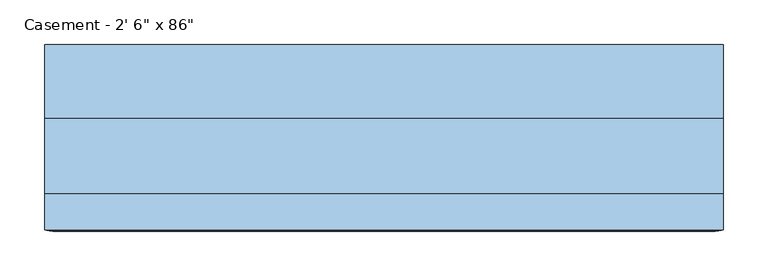
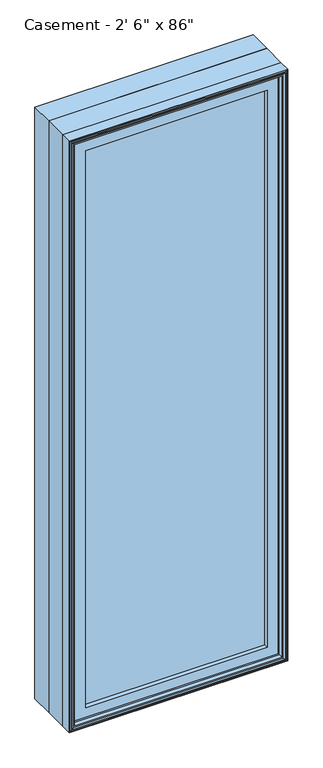
"""IFC4 building model written with IfcOpenShell, lengths in millimetres: window geometry."""

from ifc_helpers import new_model, si_unit, frame, origin, place, context, project, spatial, polyline, outline, extrude, faceted_brep, source, transform, mapped, element, save


def window_7c133da0(model_context):
    return source(origin(), model_context, "Body", "SolidModel", [
        extrude(outline(polyline([(329.009375, -74.0770729), (329.009375, -91.5395729), (-328.9849783, -91.5395729), (-328.9849783, -74.0770729), (329.009375, -74.0770729)])), frame((0.0, 0.0, 971.5119), z_axis=(0.0, 0.0, 1.0), x_axis=(1.0, 0.0, 0.0)), (0.0, 0.0, 1.0), 2070.1762),
        extrude(outline(polyline([(3098.8, -381.0), (914.4, -381.0), (914.4, 381.0), (3098.8, 381.0), (3098.8, -381.0)]), holes=[polyline([(930.275, -365.125), (3082.925, -365.125), (3082.925, 365.125), (930.275, 365.125), (930.275, -365.125)])]), frame((0.0, 6.1515625, 0.0), z_axis=(0.0, 1.0, 0.0), x_axis=(0.0, 0.0, 1.0)), (0.0, 0.0, 1.0), 82.7484375),
        faceted_brep([(-328.9849783, -74.0770729, 966.4150217), (-328.9849783, -74.0770729, 3046.7849783), (-328.9849783, -91.5395729, 3046.7849783), (-328.9849783, -91.5395729, 966.4150217), (-317.3015625, -72.8793953, 978.0984375), (-317.3015625, -72.8793953, 3035.1015625), (-317.3015625, -74.0770729, 3035.1015625), (-317.3015625, -74.0770729, 978.0984375), (-320.0498111, -59.9499024, 975.3501889), (-320.0498111, -59.9499024, 3037.8498111), (-348.0341084, -91.5395729, 947.3658916), (-348.0341084, -91.5395729, 3065.8341084), (-348.0341084, -59.9499024, 3065.8341084), (-348.0341084, -59.9499024, 947.3658916), (328.9849783, -74.0770729, 3046.7849783), (328.9849783, -91.5395729, 3046.7849783), (317.3015625, -72.8793953, 3035.1015625), (317.3015625, -74.0770729, 3035.1015625), (320.0498111, -59.9499024, 3037.8498111), (348.0341084, -91.5395729, 3065.8341084), (348.0341084, -59.9499024, 3065.8341084), (328.9849783, -74.0770729, 966.4150217), (328.9849783, -91.5395729, 966.4150217), (317.3015625, -72.8793953, 978.0984375), (317.3015625, -74.0770729, 978.0984375), (320.0498111, -59.9499024, 975.3501889), (348.0341084, -91.5395729, 947.3658916), (348.0341084, -59.9499024, 947.3658916)], [[[0, 1, 2, 3]], [[4, 5, 6, 7]], [[8, 9, 5, 4]], [[10, 11, 12, 13]], [[1, 14, 15, 2]], [[5, 16, 17, 6]], [[9, 18, 16, 5]], [[11, 19, 20, 12]], [[14, 21, 22, 15]], [[16, 23, 24, 17]], [[18, 25, 23, 16]], [[19, 26, 27, 20]], [[11, 10, 26, 19], [3, 2, 15, 22]], [[21, 0, 3, 22]], [[1, 0, 21, 14], [7, 6, 17, 24]], [[23, 4, 7, 24]], [[25, 8, 4, 23]], [[13, 12, 20, 27], [9, 8, 25, 18]], [[26, 10, 13, 27]]]),
        extrude(outline(polyline([(3071.9033048, -354.1033048), (941.2966952, -354.1033048), (941.2966952, 354.1033048), (3071.9033048, 354.1033048), (3071.9033048, -354.1033048)]), holes=[polyline([(978.0984375, -317.3015625), (3035.1015625, -317.3015625), (3035.1015625, 317.3015625), (978.0984375, 317.3015625), (978.0984375, -317.3015625)])]), frame((0.0, -106.9883505, 0.0), z_axis=(0.0, 1.0, 0.0), x_axis=(0.0, 0.0, 1.0)), (0.0, 0.0, 1.0), 15.4487776),
        faceted_brep([(-366.4220166, -119.2736375, 928.9779834), (-366.4220166, -119.2736375, 3084.2220166), (-371.755345, -120.8484375, 3089.555345), (-371.755345, -120.8484375, 923.644655), (-361.5526868, -104.4927591, 933.8473132), (-361.5526868, -104.4927591, 3079.3526868), (-361.5526868, -119.2736375, 3079.3526868), (-361.5526868, -119.2736375, 933.8473132), (-360.3244, -90.3195591, 935.0756), (-360.3244, -90.3195591, 3078.1244), (-360.3244, -79.171779, 935.0756), (-360.3244, -79.171779, 3078.1244), (-381.0, -119.6932773, 914.4), (-381.0, -119.6932773, 3098.8), (-381.0, -79.171779, 3098.8), (-381.0, -79.171779, 914.4), (-378.714, -111.1241649, 916.686), (-378.714, -111.1241649, 3096.514), (-378.714, -119.6932773, 3096.514), (-378.714, -119.6932773, 916.686), (-375.9962, -120.8484375, 919.4038), (-375.9962, -120.8484375, 3093.7962), (-375.9962, -111.1241649, 3093.7962), (-375.9962, -111.1241649, 919.4038), (366.4220166, -119.2736375, 3084.2220166), (371.755345, -120.8484375, 3089.555345), (361.5526868, -104.4927591, 3079.3526868), (361.5526868, -119.2736375, 3079.3526868), (360.3244, -90.3195591, 3078.1244), (360.3244, -79.171779, 3078.1244), (381.0, -119.6932773, 3098.8), (381.0, -79.171779, 3098.8), (378.714, -111.1241649, 3096.514), (378.714, -119.6932773, 3096.514), (375.9962, -120.8484375, 3093.7962), (375.9962, -111.1241649, 3093.7962), (366.4220166, -119.2736375, 928.9779834), (371.755345, -120.8484375, 923.644655), (361.5526868, -104.4927591, 933.8473132), (361.5526868, -119.2736375, 933.8473132), (360.3244, -90.3195591, 935.0756), (360.3244, -79.171779, 935.0756), (381.0, -119.6932773, 914.4), (381.0, -79.171779, 914.4), (378.714, -111.1241649, 916.686), (378.714, -119.6932773, 916.686), (375.9962, -120.8484375, 919.4038), (375.9962, -111.1241649, 919.4038)], [[[0, 1, 2, 3]], [[4, 5, 6, 7]], [[8, 9, 5, 4]], [[10, 11, 9, 8]], [[12, 13, 14, 15]], [[16, 17, 18, 19]], [[20, 21, 22, 23]], [[1, 24, 25, 2]], [[5, 26, 27, 6]], [[9, 28, 26, 5]], [[11, 29, 28, 9]], [[13, 30, 31, 14]], [[17, 32, 33, 18]], [[21, 34, 35, 22]], [[24, 36, 37, 25]], [[26, 38, 39, 27]], [[28, 40, 38, 26]], [[29, 41, 40, 28]], [[30, 42, 43, 31]], [[32, 44, 45, 33]], [[34, 46, 47, 35]], [[36, 0, 3, 37]], [[1, 0, 36, 24], [7, 6, 27, 39]], [[38, 4, 7, 39]], [[40, 8, 4, 38]], [[41, 10, 8, 40]], [[15, 14, 31, 43], [11, 10, 41, 29]], [[42, 12, 15, 43]], [[13, 12, 42, 30], [19, 18, 33, 45]], [[44, 16, 19, 45]], [[17, 16, 44, 32], [23, 22, 35, 47]], [[46, 20, 23, 47]], [[21, 20, 46, 34], [3, 2, 25, 37]]]),
        faceted_brep([(-381.0, -79.171779, 914.4), (-381.0, -79.171779, 3098.8), (-381.0, 6.1515625, 3098.8), (-381.0, 6.1515625, 914.4), (-361.3404, -66.7563278, 934.0596), (-361.3404, -66.7563278, 3079.1404), (-361.3404, -79.171779, 3079.1404), (-361.3404, -79.171779, 934.0596), (-354.8634, -59.7093984, 940.5366), (-354.8634, -59.7093984, 3072.6634), (-354.8634, -66.7563278, 3072.6634), (-354.8634, -66.7563278, 940.5366), (-333.375, -39.9279649, 962.025), (-333.375, -39.9279649, 3051.175), (-333.375, -59.7093984, 3051.175), (-333.375, -59.7093984, 962.025), (-337.3374, -10.9227338, 958.0626), (-337.3374, -10.9227338, 3055.1374), (-337.3374, -39.9279649, 3055.1374), (-337.3374, -39.9279649, 958.0626), (381.0, -79.171779, 3098.8), (381.0, 6.1515625, 3098.8), (361.3404, -66.7563278, 3079.1404), (361.3404, -79.171779, 3079.1404), (354.8634, -59.7093984, 3072.6634), (354.8634, -66.7563278, 3072.6634), (333.375, -39.9279649, 3051.175), (333.375, -59.7093984, 3051.175), (337.3374, -10.9227338, 3055.1374), (337.3374, -39.9279649, 3055.1374), (381.0, -79.171779, 914.4), (381.0, 6.1515625, 914.4), (361.3404, -66.7563278, 934.0596), (361.3404, -79.171779, 934.0596), (354.8634, -59.7093984, 940.5366), (354.8634, -66.7563278, 940.5366), (333.375, -39.9279649, 962.025), (333.375, -59.7093984, 962.025), (337.3374, -10.9227338, 958.0626), (337.3374, -39.9279649, 958.0626), (-358.7761112, 6.1515625, 3076.5761112), (-358.7761112, 6.1515625, 936.6238888), (358.7761112, 6.1515625, 936.6238888), (358.7761112, 6.1515625, 3076.5761112), (-358.7761112, -10.9227338, 936.6238888), (-358.7761112, -10.9227338, 3076.5761112), (358.7761112, -10.9227338, 3076.5761112), (358.7761112, -10.9227338, 936.6238888)], [[[0, 1, 2, 3]], [[4, 5, 6, 7]], [[8, 9, 10, 11]], [[12, 13, 14, 15]], [[16, 17, 18, 19]], [[1, 20, 21, 2]], [[5, 22, 23, 6]], [[9, 24, 25, 10]], [[13, 26, 27, 14]], [[17, 28, 29, 18]], [[20, 30, 31, 21]], [[22, 32, 33, 23]], [[24, 34, 35, 25]], [[26, 36, 37, 27]], [[28, 38, 39, 29]], [[3, 2, 21, 31], [40, 41, 42, 43]], [[30, 0, 3, 31]], [[1, 0, 30, 20], [7, 6, 23, 33]], [[32, 4, 7, 33]], [[5, 4, 32, 22], [11, 10, 25, 35]], [[34, 8, 11, 35]], [[9, 8, 34, 24], [15, 14, 27, 37]], [[36, 12, 15, 37]], [[19, 18, 29, 39], [13, 12, 36, 26]], [[38, 16, 19, 39]], [[44, 45, 46, 47], [17, 16, 38, 28]], [[41, 40, 45, 44]], [[40, 43, 46, 45]], [[43, 42, 47, 46]], [[42, 41, 44, 47]]]),
    ])


if __name__ == "__main__":
    model = new_model("IFC4")
    model_context = context("Model", 3, world=origin())
    ifc_project = project(units=[si_unit("LENGTHUNIT", "METRE", prefix="MILLI")], contexts=[model_context])
    site = spatial("IfcSite", under=ifc_project)
    building = spatial("IfcBuilding", under=site)
    placement = place(None, origin())
    window_shape = window_7c133da0(model_context)
    element("IfcWindow", 1, ObjectType="Casement - 2' 6\" x 86\"", at=placement, inside=building, context=model_context, shape_type="MappedRepresentation", body=[
        mapped(window_shape, transform((0.0, 0.0, 0.0), x_axis=(1.0, 0.0, 0.0), y_axis=(0.0, 1.0, 0.0), z_axis=(0.0, 0.0, 1.0))),
    ])
    save(model, "model.ifc")
